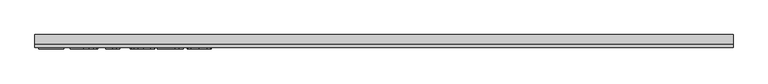
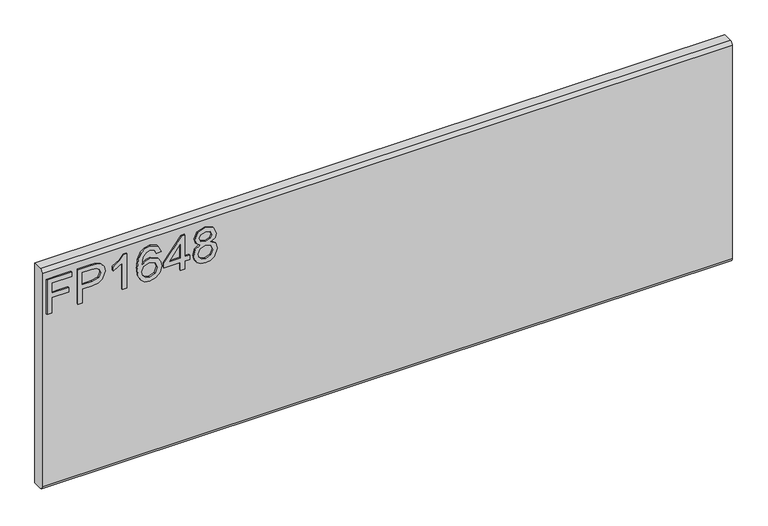
"""IFC4 building model written with IfcOpenShell, lengths in millimetres: furniture geometry."""

from ifc_helpers import new_model, si_unit, frame, origin, place, context, project, spatial, polyline, circle_curve, outline, extrude, source, transform, mapped, element, save
from ifc_brep_helpers import plane_surface, cylinder_surface, advanced_brep


def furniture_3a31d484(model_context):
    return source(origin(), model_context, "Body", "SolidModel", [
        extrude(outline(polyline([(476.25, -596.2729953), (476.25, -588.2992757), (505.1547336, -588.2992757), (505.1547336, -558.3978271), (513.1284532, -558.3978271), (513.1284532, -588.2992757), (532.0660373, -588.2992757), (532.0660373, -553.4142524), (540.0397569, -553.4142524), (540.0397569, -596.2729953), (476.25, -596.2729953)])), frame((0.0, -15.0812439, 0.0), z_axis=(0.0, 1.0, 0.0), x_axis=(0.0, 0.0, 1.0)), (0.0, 0.0, 1.0), 2.38125),
        extrude(outline(polyline([(476.25, -542.4503879), (476.25, -534.4766683), (502.1645888, -534.4766683), (502.1645888, -518.2644766), (503.574006, -506.9365776), (507.8022577, -499.7395948), (521.5849567, -494.6080702), (530.282852, -496.5080581), (536.4500257, -501.530567), (539.4323838, -509.2784684), (540.0397569, -518.8095551), (540.0397569, -542.4503879), (476.25, -542.4503879)]), holes=[polyline([(510.1383084, -534.4766683), (532.0660373, -534.4766683), (532.0660373, -517.9841506), (531.5209588, -510.0104309), (527.9078671, -504.6297276), (521.3046306, -502.5817898), (513.0661585, -506.0547185), (510.1383084, -517.7972665), (510.1383084, -534.4766683)])]), frame((0.0, -15.0812439, 0.0), z_axis=(0.0, 1.0, 0.0), x_axis=(0.0, 0.0, 1.0)), (0.0, 0.0, 1.0), 2.38125),
        extrude(outline(polyline([(476.25, -456.732902), (540.0397569, -456.732902), (540.0397569, -461.8722135), (531.5521062, -468.9660207), (524.0923177, -480.6540609), (516.5546609, -480.6540609), (520.5804549, -472.2598521), (525.9611582, -464.7066216), (476.25, -464.7066216), (476.25, -456.732902)])), frame((0.0, -15.0812439, 0.0), z_axis=(0.0, 1.0, 0.0), x_axis=(0.0, 0.0, 1.0)), (0.0, 0.0, 1.0), 2.38125),
        extrude(outline(polyline([(523.0956028, -396.9300049), (535.538966, -402.8168526), (540.0397569, -415.4159525), (538.2215308, -424.6706066), (532.7668525, -431.8150282), (521.9081103, -437.0477817), (506.0268592, -438.7920329), (491.9015395, -437.2210388), (482.4171738, -432.5080566), (477.0442572, -425.303287), (475.253285, -416.2569308), (477.955317, -405.8069974), (485.7421526, -398.5652403), (496.7449512, -395.9332899), (504.9172351, -397.3310269), (511.4309231, -401.5242379), (517.115313, -415.0733317), (515.0362279, -423.7868007), (508.6743833, -430.8183133), (522.8853582, -428.5523441), (530.1349021, -423.109346), (532.0660373, -415.91431), (528.7488454, -407.9250167), (522.0988878, -404.9037245), (523.0956028, -396.9300049)]), holes=[polyline([(496.8695406, -430.8183133), (505.75432, -426.854814), (509.1415934, -417.2069247), (505.75432, -407.4344461), (496.4801988, -403.9070095), (486.7933754, -407.4811671), (483.2270047, -416.8798776), (484.9478953, -424.0671268), (489.9626174, -428.9728332), (496.8695406, -430.8183133)])]), frame((0.0, -15.0812439, 0.0), z_axis=(0.0, 1.0, 0.0), x_axis=(0.0, 0.0, 1.0)), (0.0, 0.0, 1.0), 2.38125),
        extrude(outline(polyline([(476.25, -363.0416965), (476.25, -355.0679769), (491.2007243, -355.0679769), (491.2007243, -347.0942573), (499.1744439, -347.0942573), (499.1744439, -355.0679769), (539.043042, -355.0679769), (539.043042, -361.0482666), (499.1744439, -391.9464301), (491.2007243, -391.9464301), (491.2007243, -363.0416965), (476.25, -363.0416965)]), holes=[polyline([(499.1744439, -363.0416965), (499.1744439, -382.1350173), (523.8119916, -363.0416965), (499.1744439, -363.0416965)])]), frame((0.0, -15.0812439, 0.0), z_axis=(0.0, 1.0, 0.0), x_axis=(0.0, 0.0, 1.0)), (0.0, 0.0, 1.0), 2.38125),
        extrude(outline(polyline([(511.3842021, -328.4992939), (505.5907964, -337.0959604), (495.0318474, -340.1172526), (487.2742125, -338.676688), (480.9143145, -334.3549943), (476.6685424, -327.6816762), (475.253285, -319.1862386), (476.6627023, -310.690801), (480.890954, -304.0174829), (494.813816, -298.2552246), (505.1313731, -301.1597143), (511.3842021, -309.6395782), (516.313269, -302.5769183), (523.8275653, -300.2486545), (535.3209346, -305.481408), (540.0397569, -319.2952543), (535.4299503, -332.9845112), (524.0455967, -338.1238227), (516.3366295, -335.7644115), (511.3842021, -328.4992939)]), holes=[polyline([(523.8119916, -330.1501031), (529.6365446, -327.2767608), (532.0660373, -319.1862386), (529.5820368, -311.119077), (523.4537972, -308.2223741), (517.5358022, -311.0256349), (515.1218831, -319.0927966), (517.5513758, -327.3234818), (523.8119916, -330.1501031)]), polyline([(495.3121735, -332.143533), (503.7686769, -328.7718332), (507.1481635, -319.3886963), (503.7219559, -309.7330202), (495.0629947, -306.2289442), (486.5675571, -309.6240045), (483.2270047, -319.1239439), (484.8155191, -326.1009486), (489.3085232, -330.8119841), (495.3121735, -332.143533)])]), frame((0.0, -15.0812439, 0.0), z_axis=(0.0, 1.0, 0.0), x_axis=(0.0, 0.0, 1.0)), (0.0, 0.0, 1.0), 2.38125),
        advanced_brep(
        [(603.25, 9.5250061, 558.8), (603.25, -6.7309939, 558.8), (603.25, -12.6999939, 552.831), (603.25, -12.6999939, 158.369), (603.25, -6.7309939, 152.4), (603.25, 9.5250061, 152.4), (-603.25, 9.5250061, 558.8), (-603.25, 9.5250061, 152.4), (-603.25, -6.7309939, 152.4), (-603.25, -12.6999939, 158.369), (-603.25, -12.6999939, 552.8310121), (-603.25, -6.7309939, 558.8)],
        [
            (0, 1),
            (1, 2, circle_curve(frame((603.25, -6.7309939, 552.831), z_axis=(1.0, 0.0, 0.0), x_axis=(0.0, 1.0, 0.0)), 5.969)),
            (2, 3),
            (3, 4, circle_curve(frame((603.25, -6.7309939, 158.369), z_axis=(1.0, 0.0, 0.0), x_axis=(0.0, 1.0, 0.0)), 5.969)),
            (4, 5),
            (5, 0),
            (6, 7),
            (7, 8),
            (8, 9, circle_curve(frame((-603.25, -6.7309939, 158.369), z_axis=(-1.0, 0.0, 0.0), x_axis=(0.0, 1.0, 0.0)), 5.969)),
            (9, 10),
            (10, 11, circle_curve(frame((-603.25, -6.7309939, 552.831), z_axis=(-1.0, 0.0, 0.0), x_axis=(0.0, 1.0, 0.0)), 5.969)),
            (11, 6),
            (0, 6),
            (11, 1),
            (10, 2),
            (9, 3),
            (8, 4),
            (7, 5),
        ],
        [
            plane_surface(frame((603.25, -6.7309939, 558.8), z_axis=(1.0, 0.0, 0.0), x_axis=(0.0, -1.0, 0.0))),
            plane_surface(frame((-603.25, -6.7309939, 558.8), z_axis=(-1.0, 0.0, 0.0), x_axis=(0.0, 1.0, 0.0))),
            plane_surface(frame((603.25, 9.5250061, 558.8), z_axis=(0.0, 0.0, 1.0), x_axis=(-1.0, 0.0, 0.0))),
            cylinder_surface(frame((-603.25, -6.7309939, 552.831), z_axis=(1.0, 0.0, 0.0), x_axis=(0.0, 1.0, 0.0)), 5.969),
            plane_surface(frame((603.25, -12.6999939, 552.8310121), z_axis=(0.0, -1.0, 0.0), x_axis=(-1.0, 0.0, 0.0))),
            cylinder_surface(frame((-603.25, -6.7309939, 158.369), z_axis=(1.0, 0.0, 0.0), x_axis=(0.0, 1.0, 0.0)), 5.969),
            plane_surface(frame((603.25, -6.7309939, 152.4), z_axis=(0.0, 0.0, -1.0), x_axis=(-1.0, 0.0, 0.0))),
            plane_surface(frame((603.25, 9.5250061, 152.4), z_axis=(0.0, 1.0, 0.0), x_axis=(-1.0, 0.0, 0.0))),
        ],
        [
            (0, [[1, 2, 3, 4, 5, 6]]),
            (1, [[7, 8, 9, 10, 11, 12]]),
            (2, [[-1, 13, -12, 14]]),
            (3, [[-2, -14, -11, 15]]),
            (4, [[-3, -15, -10, 16]]),
            (5, [[-4, -16, -9, 17]]),
            (6, [[-5, -17, -8, 18]]),
            (7, [[-6, -18, -7, -13]]),
        ],
    ),
    ])


if __name__ == "__main__":
    model = new_model("IFC4")
    model_context = context("Model", 3, world=origin())
    ifc_project = project(units=[si_unit("LENGTHUNIT", "METRE", prefix="MILLI")], contexts=[model_context])
    site = spatial("IfcSite", under=ifc_project)
    building = spatial("IfcBuilding", under=site)
    placement = place(None, origin())
    furniture_shape = furniture_3a31d484(model_context)
    element("IfcFurniture", 1, at=placement, inside=building, context=model_context, shape_type="MappedRepresentation", body=[
        mapped(furniture_shape, transform((0.0, 0.0, 0.0), x_axis=(1.0, 0.0, 0.0), y_axis=(0.0, 1.0, 0.0), z_axis=(0.0, 0.0, 1.0))),
    ])
    save(model, "model.ifc")
